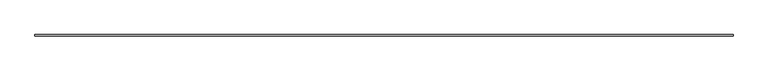
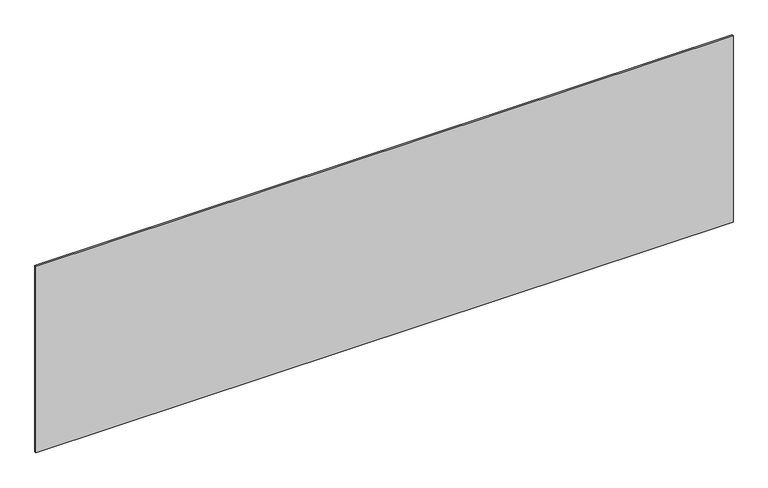
"""IFC4 building model written with IfcOpenShell, lengths in millimetres: plate geometry."""

from ifc_helpers import new_model, si_unit, origin, origin_with_axes, place, context, project, spatial, polyline, outline, extrude, source, transform, mapped, element, save


def plate_6d09dc41(model_context):
    return source(origin(), model_context, "Body", "SweptSolid", [
        extrude(outline(polyline([(2264.1666667, -5.0), (-2264.1666667, -5.0), (-2264.1666667, 5.0), (2264.1666667, 5.0), (2264.1666667, -5.0)])), origin_with_axes(), (0.0, 0.0, 1.0), 1281.207091),
    ])


if __name__ == "__main__":
    model = new_model("IFC4")
    model_context = context("Model", 3, world=origin())
    ifc_project = project(units=[si_unit("LENGTHUNIT", "METRE", prefix="MILLI")], contexts=[model_context])
    site = spatial("IfcSite", under=ifc_project)
    building = spatial("IfcBuilding", under=site)
    placement = place(None, origin())
    plate_shape = plate_6d09dc41(model_context)
    element("IfcPlate", 1, at=placement, inside=building, context=model_context, shape_type="MappedRepresentation", body=[
        mapped(plate_shape, transform((0.0, 0.0, 0.0), x_axis=(1.0, 0.0, 0.0), y_axis=(0.0, 1.0, 0.0), z_axis=(0.0, 0.0, 1.0))),
    ])
    save(model, "model.ifc")
